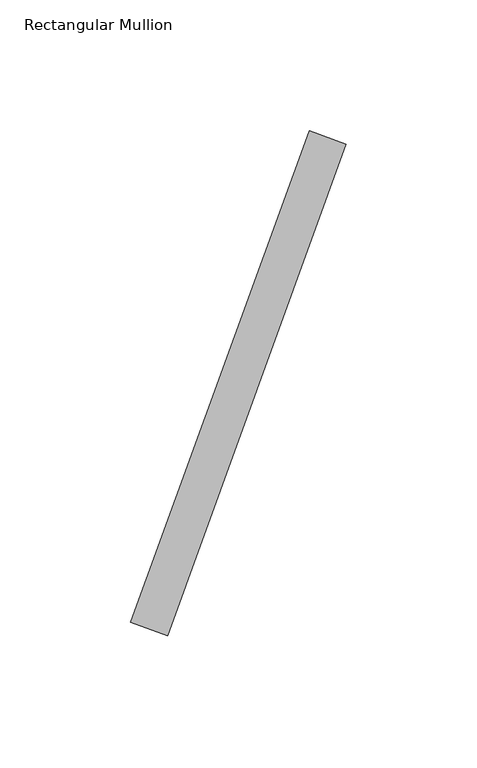
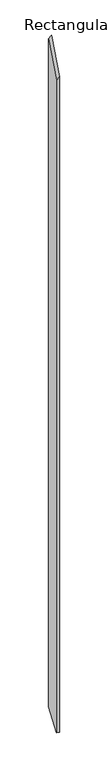
"""IFC4 building model written with IfcOpenShell, lengths in millimetres: member geometry, Rectangular Mullion."""

from ifc_helpers import new_model, si_unit, origin, place, context, project, spatial, faceted_brep, source, transform, mapped, element, save


def rectangular_mullion_b9bdd5ba(model_context):
    return source(origin(), model_context, "Body", "Brep", [
        faceted_brep([(-19.0607062, -52.36886, -3583.4628253), (-87.4647349, -240.3073841, -3583.4628253), (-101.5601242, -235.177082, -3583.4628253), (-33.1560955, -47.2385578, -3583.4628253), (-101.5601242, -235.177082, -120.8408579), (-33.1560955, -47.2385578, -39.4506315), (-19.0607062, -52.36886, -22.6792958), (-87.4647349, -240.3073841, -104.0695222)], [[[0, 1, 2, 3]], [[4, 5, 3, 2]], [[5, 6, 0, 3]], [[7, 4, 2, 1]], [[6, 7, 1, 0]], [[6, 5, 4, 7]]]),
    ])


if __name__ == "__main__":
    model = new_model("IFC4")
    model_context = context("Model", 3, world=origin())
    ifc_project = project(units=[si_unit("LENGTHUNIT", "METRE", prefix="MILLI")], contexts=[model_context])
    site = spatial("IfcSite", under=ifc_project)
    building = spatial("IfcBuilding", under=site)
    placement = place(None, origin())
    rectangular_mullion_shape = rectangular_mullion_b9bdd5ba(model_context)
    element("IfcMember", 1, ObjectType="Rectangular Mullion", at=placement, inside=building, context=model_context, shape_type="MappedRepresentation", body=[
        mapped(rectangular_mullion_shape, transform((0.0, 0.0, 0.0), x_axis=(1.0, 0.0, 0.0), y_axis=(0.0, 1.0, 0.0), z_axis=(0.0, 0.0, 1.0))),
    ])
    save(model, "model.ifc")
